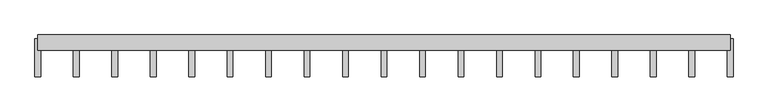
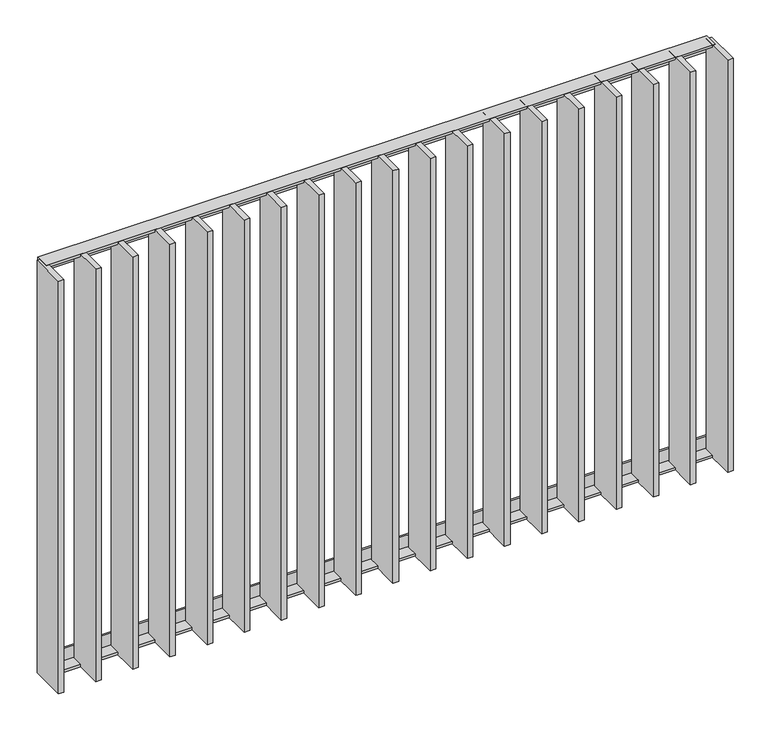
"""IFC4 building model written with IfcOpenShell, lengths in millimetres: railing geometry."""

from ifc_helpers import new_model, si_unit, frame, origin, place, context, project, spatial, polyline, outline, extrude, source, transform, mapped, element, save


def railing_97e42145(model_context):
    return source(origin(), model_context, "Body", "SweptSolid", [
        extrude(outline(polyline([(-14.0, 6.0), (20.0, 6.0), (20.0, 0.0), (-20.0, 0.0), (-20.0, 40.0), (-14.0, 40.0), (-14.0, 6.0)])), frame((65375.9325551, 6059.4012767, 8000.0), z_axis=(1.0, -2.5510195797315857e-12, 0.0), x_axis=(-2.5510195797315857e-12, -1.0, 0.0)), (0.0, 0.0, 1.0), 1810.0),
        extrude(outline(polyline([(-14.0, -6.0), (-14.0, -40.0), (-20.0, -40.0), (-20.0, 0.0), (20.0, 0.0), (20.0, -6.0), (-14.0, -6.0)])), frame((65375.9325551, 6059.4012767, 6820.0), z_axis=(1.0, -2.5510195797315857e-12, 0.0), x_axis=(-2.5510195797315857e-12, -1.0, 0.0)), (0.0, 0.0, 1.0), 1810.0),
        extrude(outline(polyline([(65483.9881106, 6069.4012767), (65483.9881106, 5969.4012767), (65468.9881106, 5969.4012767), (65468.9881106, 6069.4012767), (65483.9881106, 6069.4012767)])), frame((0.0, 0.0, 6819.9), z_axis=(0.0, 0.0, 1.0), x_axis=(1.0, 0.0, 0.0)), (0.0, 0.0, 1.0), 1180.2),
        extrude(outline(polyline([(65584.5436662, 6069.4012767), (65584.5436662, 5969.4012767), (65569.5436662, 5969.4012767), (65569.5436662, 6069.4012767), (65584.5436662, 6069.4012767)])), frame((0.0, 0.0, 6819.9), z_axis=(0.0, 0.0, 1.0), x_axis=(1.0, 0.0, 0.0)), (0.0, 0.0, 1.0), 1180.2),
        extrude(outline(polyline([(65685.0992217, 6069.4012767), (65685.0992217, 5969.4012767), (65670.0992217, 5969.4012767), (65670.0992217, 6069.4012767), (65685.0992217, 6069.4012767)])), frame((0.0, 0.0, 6819.9), z_axis=(0.0, 0.0, 1.0), x_axis=(1.0, 0.0, 0.0)), (0.0, 0.0, 1.0), 1180.2),
        extrude(outline(polyline([(65785.6547773, 6069.4012767), (65785.6547773, 5969.4012767), (65770.6547773, 5969.4012767), (65770.6547773, 6069.4012767), (65785.6547773, 6069.4012767)])), frame((0.0, 0.0, 6819.9), z_axis=(0.0, 0.0, 1.0), x_axis=(1.0, 0.0, 0.0)), (0.0, 0.0, 1.0), 1180.2),
        extrude(outline(polyline([(65886.2103329, 6069.4012767), (65886.2103329, 5969.4012767), (65871.2103329, 5969.4012767), (65871.2103329, 6069.4012767), (65886.2103329, 6069.4012767)])), frame((0.0, 0.0, 6819.9), z_axis=(0.0, 0.0, 1.0), x_axis=(1.0, 0.0, 0.0)), (0.0, 0.0, 1.0), 1180.2),
        extrude(outline(polyline([(65986.7658884, 6069.4012767), (65986.7658884, 5969.4012767), (65971.7658884, 5969.4012767), (65971.7658884, 6069.4012767), (65986.7658884, 6069.4012767)])), frame((0.0, 0.0, 6819.9), z_axis=(0.0, 0.0, 1.0), x_axis=(1.0, 0.0, 0.0)), (0.0, 0.0, 1.0), 1180.2),
        extrude(outline(polyline([(66087.321444, 6069.4012767), (66087.321444, 5969.4012767), (66072.321444, 5969.4012767), (66072.321444, 6069.4012767), (66087.321444, 6069.4012767)])), frame((0.0, 0.0, 6819.9), z_axis=(0.0, 0.0, 1.0), x_axis=(1.0, 0.0, 0.0)), (0.0, 0.0, 1.0), 1180.2),
        extrude(outline(polyline([(66187.8769995, 6069.4012767), (66187.8769995, 5969.4012767), (66172.8769995, 5969.4012767), (66172.8769995, 6069.4012767), (66187.8769995, 6069.4012767)])), frame((0.0, 0.0, 6819.9), z_axis=(0.0, 0.0, 1.0), x_axis=(1.0, 0.0, 0.0)), (0.0, 0.0, 1.0), 1180.2),
        extrude(outline(polyline([(66288.4325551, 6069.4012767), (66288.4325551, 5969.4012767), (66273.4325551, 5969.4012767), (66273.4325551, 6069.4012767), (66288.4325551, 6069.4012767)])), frame((0.0, 0.0, 6819.9), z_axis=(0.0, 0.0, 1.0), x_axis=(1.0, 0.0, 0.0)), (0.0, 0.0, 1.0), 1180.2),
        extrude(outline(polyline([(66388.9881106, 6069.4012767), (66388.9881106, 5969.4012767), (66373.9881106, 5969.4012767), (66373.9881106, 6069.4012767), (66388.9881106, 6069.4012767)])), frame((0.0, 0.0, 6819.9), z_axis=(0.0, 0.0, 1.0), x_axis=(1.0, 0.0, 0.0)), (0.0, 0.0, 1.0), 1180.2),
        extrude(outline(polyline([(66489.5436662, 6069.4012767), (66489.5436662, 5969.4012767), (66474.5436662, 5969.4012767), (66474.5436662, 6069.4012767), (66489.5436662, 6069.4012767)])), frame((0.0, 0.0, 6819.9), z_axis=(0.0, 0.0, 1.0), x_axis=(1.0, 0.0, 0.0)), (0.0, 0.0, 1.0), 1180.2),
        extrude(outline(polyline([(66590.0992217, 6069.4012767), (66590.0992217, 5969.4012767), (66575.0992217, 5969.4012767), (66575.0992217, 6069.4012767), (66590.0992217, 6069.4012767)])), frame((0.0, 0.0, 6819.9), z_axis=(0.0, 0.0, 1.0), x_axis=(1.0, 0.0, 0.0)), (0.0, 0.0, 1.0), 1180.2),
        extrude(outline(polyline([(66690.6547773, 6069.4012767), (66690.6547773, 5969.4012767), (66675.6547773, 5969.4012767), (66675.6547773, 6069.4012767), (66690.6547773, 6069.4012767)])), frame((0.0, 0.0, 6819.9), z_axis=(0.0, 0.0, 1.0), x_axis=(1.0, 0.0, 0.0)), (0.0, 0.0, 1.0), 1180.2),
        extrude(outline(polyline([(66791.2103329, 6069.4012767), (66791.2103329, 5969.4012767), (66776.2103329, 5969.4012767), (66776.2103329, 6069.4012767), (66791.2103329, 6069.4012767)])), frame((0.0, 0.0, 6819.9), z_axis=(0.0, 0.0, 1.0), x_axis=(1.0, 0.0, 0.0)), (0.0, 0.0, 1.0), 1180.2),
        extrude(outline(polyline([(66891.7658884, 6069.4012767), (66891.7658884, 5969.4012767), (66876.7658884, 5969.4012767), (66876.7658884, 6069.4012767), (66891.7658884, 6069.4012767)])), frame((0.0, 0.0, 6819.9), z_axis=(0.0, 0.0, 1.0), x_axis=(1.0, 0.0, 0.0)), (0.0, 0.0, 1.0), 1180.2),
        extrude(outline(polyline([(66992.321444, 6069.4012767), (66992.321444, 5969.4012767), (66977.321444, 5969.4012767), (66977.321444, 6069.4012767), (66992.321444, 6069.4012767)])), frame((0.0, 0.0, 6819.9), z_axis=(0.0, 0.0, 1.0), x_axis=(1.0, 0.0, 0.0)), (0.0, 0.0, 1.0), 1180.2),
        extrude(outline(polyline([(67092.8769995, 6069.4012767), (67092.8769995, 5969.4012767), (67077.8769995, 5969.4012767), (67077.8769995, 6069.4012767), (67092.8769995, 6069.4012767)])), frame((0.0, 0.0, 6819.9), z_axis=(0.0, 0.0, 1.0), x_axis=(1.0, 0.0, 0.0)), (0.0, 0.0, 1.0), 1180.2),
        extrude(outline(polyline([(65383.4325551, 6069.4012767), (65383.4325551, 5969.4012767), (65368.4325551, 5969.4012767), (65368.4325551, 6069.4012767), (65383.4325551, 6069.4012767)])), frame((0.0, 0.0, 6819.9), z_axis=(0.0, 0.0, 1.0), x_axis=(1.0, 0.0, 0.0)), (0.0, 0.0, 1.0), 1180.2),
        extrude(outline(polyline([(67193.4325551, 6069.4012767), (67193.4325551, 5969.4012767), (67178.4325551, 5969.4012767), (67178.4325551, 6069.4012767), (67193.4325551, 6069.4012767)])), frame((0.0, 0.0, 6819.9), z_axis=(0.0, 0.0, 1.0), x_axis=(1.0, 0.0, 0.0)), (0.0, 0.0, 1.0), 1180.2),
    ])


if __name__ == "__main__":
    model = new_model("IFC4")
    model_context = context("Model", 3, world=origin())
    ifc_project = project(units=[si_unit("LENGTHUNIT", "METRE", prefix="MILLI")], contexts=[model_context])
    site = spatial("IfcSite", under=ifc_project)
    building = spatial("IfcBuilding", under=site)
    placement = place(None, origin())
    railing_shape = railing_97e42145(model_context)
    element("IfcRailing", 1, at=placement, inside=building, context=model_context, shape_type="MappedRepresentation", body=[
        mapped(railing_shape, transform((0.0, 0.0, 0.0), x_axis=(1.0, 0.0, 0.0), y_axis=(0.0, 1.0, 0.0), z_axis=(0.0, 0.0, 1.0))),
    ])
    save(model, "model.ifc")
